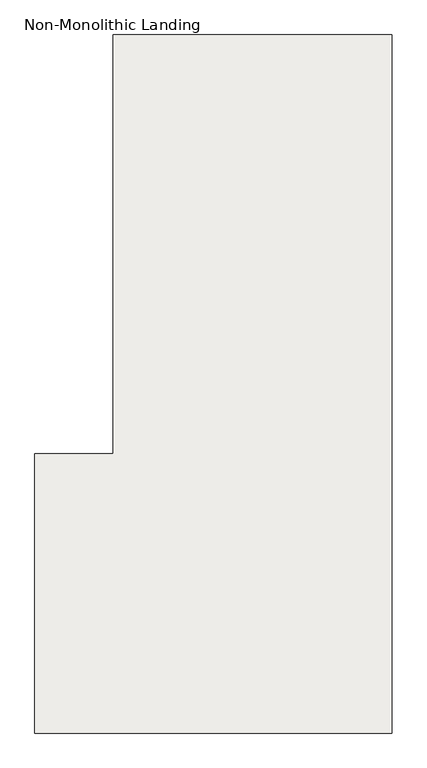
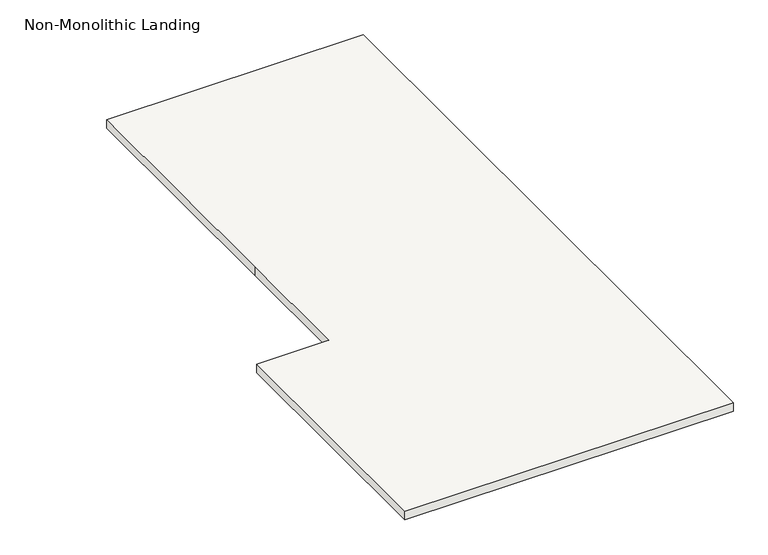
"""IFC4 building model written with IfcOpenShell, lengths in millimetres: slab geometry, Non-Monolithic Landing."""

from ifc_helpers import new_model, si_unit, frame, origin, place, context, project, spatial, polyline, outline, extrude, source, transform, mapped, element, save


def non_monolithic_landing_b01f9ee2(model_context):
    return source(origin(), model_context, "Body", "SweptSolid", [
        extrude(outline(polyline([(-506.4074117, 340.9233624), (493.5925883, 340.9233624), (493.5925883, -2159.0766376), (-786.4074117, -2159.0766376), (-786.4074117, -1159.0766376), (-506.4074117, -1159.0766376), (-506.4074117, -659.0766376), (-506.4074117, 340.9233624)])), frame((0.0, 0.0, -2638.7253381), z_axis=(0.0, 0.0, 1.0), x_axis=(1.0, 0.0, 0.0)), (0.0, 0.0, 1.0), 35.0),
    ])


if __name__ == "__main__":
    model = new_model("IFC4")
    model_context = context("Model", 3, world=origin())
    ifc_project = project(units=[si_unit("LENGTHUNIT", "METRE", prefix="MILLI")], contexts=[model_context])
    site = spatial("IfcSite", under=ifc_project)
    building = spatial("IfcBuilding", under=site)
    placement = place(None, origin())
    non_monolithic_landing_shape = non_monolithic_landing_b01f9ee2(model_context)
    element("IfcSlab", 1, ObjectType="Non-Monolithic Landing", at=placement, inside=building, context=model_context, shape_type="MappedRepresentation", body=[
        mapped(non_monolithic_landing_shape, transform((0.0, 0.0, 0.0), x_axis=(1.0, 0.0, 0.0), y_axis=(0.0, 1.0, 0.0), z_axis=(0.0, 0.0, 1.0))),
    ])
    save(model, "model.ifc")
